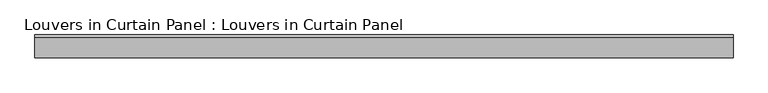
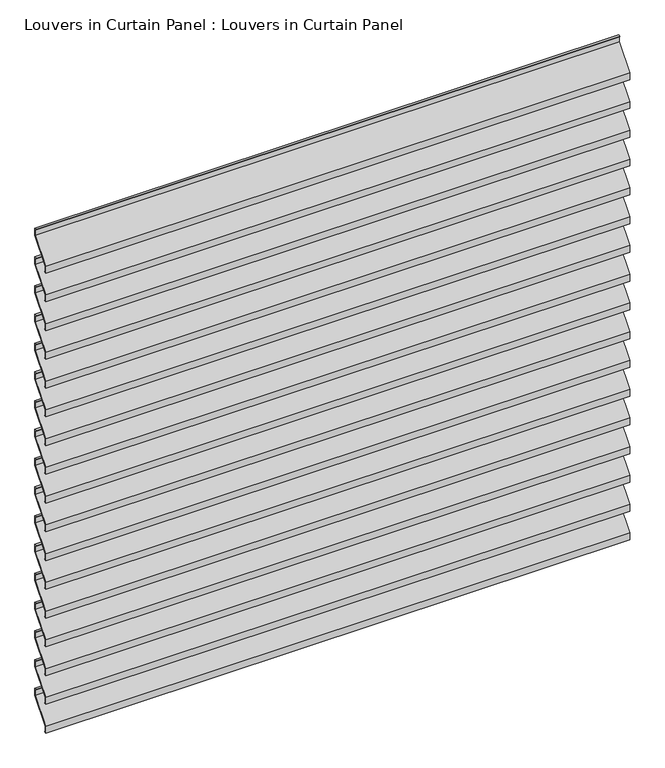
"""IFC4 building model written with IfcOpenShell, lengths in millimetres: plate geometry, Louvers in Curtain Panel : Louvers in Curtain Panel."""

import ifcopenshell
import ifcopenshell.guid

model = None  # the IFC model being written
_history = None  # IfcOwnerHistory: only IFC2X3 demands one
_inside = {}  # id of a spatial element -> (the spatial element, [elements in it])
_under = {}  # id of a project, library or spatial element -> (it, [spatial elements below it])
_declared = {}  # id of a project -> (the project, [libraries it declares])
_typed = {}  # id of a type object -> (the type object, [elements of that type])
_made_of = {}  # id of a material, layer set ... -> (it, [elements and type objects made of it])


def new_model(schema):
    """Start an empty IFC model of exactly this schema.

    Asked for "IFC4X3", IfcOpenShell would pick the latest addendum, in which some entities
    have other attributes; the version numbers below select the first issue.
    IFC2X3 requires an IfcOwnerHistory on every rooted entity: one is made here for all.
    """
    global model, _history
    if schema == "IFC4X3":
        model = ifcopenshell.file(schema_version=(4, 3, 0, 0))
    else:
        model = ifcopenshell.file(schema=schema)
    _inside.clear()
    _under.clear()
    _declared.clear()
    _typed.clear()
    _made_of.clear()
    _history = None
    if model.schema == "IFC2X3":
        org = make("IfcOrganization", Name="unknown")
        user = make(
            "IfcPersonAndOrganization",
            ThePerson=make("IfcPerson", FamilyName="unknown"),
            TheOrganization=org,
        )
        app = make(
            "IfcApplication",
            ApplicationDeveloper=org,
            Version="unknown",
            ApplicationFullName="unknown",
            ApplicationIdentifier="unknown",
        )
        _history = make(
            "IfcOwnerHistory",
            OwningUser=user,
            OwningApplication=app,
            ChangeAction="ADDED",
            CreationDate=0,
        )
    return model


def make(cls, **values):
    """One entity of the class cls with the attributes given. An attribute that is None is left unset."""
    return model.create_entity(
        cls, **{name: value for name, value in values.items() if value is not None}
    )


def rooted(cls, **values):
    """An entity with a GlobalId (a new one), such as an element, a storey or a relation."""
    return make(cls, GlobalId=ifcopenshell.guid.new(), OwnerHistory=_history, **values)


def si_unit(unit_type, name, prefix=None):
    """IfcSIUnit, for example si_unit("LENGTHUNIT", "METRE", prefix="MILLI")."""
    return make("IfcSIUnit", UnitType=unit_type, Prefix=prefix, Name=name)


def assignment(units):
    """IfcUnitAssignment: the units of a project."""
    return None if units is None else make("IfcUnitAssignment", Units=units)


def point(xyz):
    """IfcCartesianPoint."""
    return None if xyz is None else make("IfcCartesianPoint", Coordinates=xyz)


def direction(xyz):
    """IfcDirection."""
    return None if xyz is None else make("IfcDirection", DirectionRatios=xyz)


def frame(location, z_axis=None, x_axis=None):
    """IfcAxis2Placement3D, a coordinate frame: its origin and axes. An axis left out is left unset."""
    return make(
        "IfcAxis2Placement3D",
        Location=point(location),
        Axis=direction(z_axis),
        RefDirection=direction(x_axis),
    )


def origin():
    """The frame at (0, 0, 0) with its axes left unset."""
    return frame((0.0, 0.0, 0.0))


def place(relative_to, where):
    """IfcLocalPlacement: puts the frame where relative to a parent placement (None: the world)."""
    return make(
        "IfcLocalPlacement", PlacementRelTo=relative_to, RelativePlacement=where
    )


def context(
    kind, dimensions, precision=None, world=None, true_north=None, identifier=None
):
    """IfcGeometricRepresentationContext, for example the 3D "Model" context."""
    return make(
        "IfcGeometricRepresentationContext",
        ContextIdentifier=identifier,
        ContextType=kind,
        CoordinateSpaceDimension=dimensions,
        Precision=precision,
        WorldCoordinateSystem=world,
        TrueNorth=true_north,
    )


def project(units=None, contexts=None):
    """IfcProject with its units and contexts."""
    return rooted(
        "IfcProject",
        Name="project",
        RepresentationContexts=contexts,
        UnitsInContext=assignment(units),
    )


def spatial(cls, under=None, at=None, **own):
    """A site, building, storey or space (cls), placed at a placement, below another one or the project."""
    s = rooted(cls, ObjectPlacement=at, **own)
    if under is not None:
        _under.setdefault(under.id(), (under, []))[1].append(s)
    return s


def polyline(points):
    """IfcPolyline through the points."""
    return make("IfcPolyline", Points=[point(p) for p in points])


def outline(outer, holes=None, kind="AREA"):
    """IfcArbitraryClosedProfileDef: a profile drawn as a closed curve; with holes, ...WithVoids."""
    if holes is None:
        return make("IfcArbitraryClosedProfileDef", ProfileType=kind, OuterCurve=outer)
    return make(
        "IfcArbitraryProfileDefWithVoids",
        ProfileType=kind,
        OuterCurve=outer,
        InnerCurves=holes,
    )


def extrude(swept, where, along, depth):
    """IfcExtrudedAreaSolid: the profile swept, set in the frame where, extruded along a direction by depth."""
    return make(
        "IfcExtrudedAreaSolid",
        SweptArea=swept,
        Position=where,
        ExtrudedDirection=direction(along),
        Depth=depth,
    )


def shape(context_of_items, identifier, shape_type, items):
    """IfcShapeRepresentation: the items that make up one representation, for example the "Body"."""
    return make(
        "IfcShapeRepresentation",
        ContextOfItems=context_of_items,
        RepresentationIdentifier=identifier,
        RepresentationType=shape_type,
        Items=items,
    )


def source(mapping_origin, context_of_items, identifier, shape_type, items):
    """IfcRepresentationMap: a shape defined once, which mapped items show again and again."""
    return make(
        "IfcRepresentationMap",
        MappingOrigin=mapping_origin,
        MappedRepresentation=shape(context_of_items, identifier, shape_type, items),
    )


def transform(
    local_origin,
    x_axis=None,
    y_axis=None,
    z_axis=None,
    scale=None,
    scale2=None,
    scale3=None,
    uniform=True,
):
    """IfcCartesianTransformationOperator3D, or its non-uniform kind. x_axis, y_axis, z_axis: its Axis1, 2, 3."""
    if uniform:
        return make(
            "IfcCartesianTransformationOperator3D",
            Axis1=direction(x_axis),
            Axis2=direction(y_axis),
            LocalOrigin=point(local_origin),
            Scale=scale,
            Axis3=direction(z_axis),
        )
    return make(
        "IfcCartesianTransformationOperator3DnonUniform",
        Axis1=direction(x_axis),
        Axis2=direction(y_axis),
        LocalOrigin=point(local_origin),
        Scale=scale,
        Axis3=direction(z_axis),
        Scale2=scale2,
        Scale3=scale3,
    )


def mapped(mapping_source, mapping_target):
    """IfcMappedItem: shows the shape of a source again, moved by a transform."""
    return make(
        "IfcMappedItem", MappingSource=mapping_source, MappingTarget=mapping_target
    )


def made_of(thing, what):
    """Note that an element or type object is made of a material, layer set ...; save() writes the relation."""
    if what is not None:
        _made_of.setdefault(what.id(), (what, []))[1].append(thing)
    return thing


def element(
    cls,
    number,
    at=None,
    inside=None,
    cuts=None,
    type_object=None,
    material=None,
    context=None,
    identifier="Body",
    shape_type=None,
    held_by="IfcProductDefinitionShape",
    body=None,
    shapes=None,
    **own,
):
    """One element of the class cls, such as IfcWall. Its Tag is "e" and its number.

    at: its placement. inside: the storey or other place that contains it. cuts: it is an
    opening in that element (IfcRelVoidsElement). A single representation is given by context,
    identifier, shape_type and body (its items); several are given by shapes. held_by: the class
    of the entity that holds the representations. save() writes the other relations.
    """
    e = rooted(cls, Tag="e%d" % number, ObjectPlacement=at, **own)
    if body is not None:
        shapes = [shape(context, identifier, shape_type, body)]
    if shapes is not None:
        e.Representation = make(held_by, Representations=shapes)
    if inside is not None:
        _inside.setdefault(inside.id(), (inside, []))[1].append(e)
    if cuts is not None:
        rooted(
            "IfcRelVoidsElement", RelatingBuildingElement=cuts, RelatedOpeningElement=e
        )
    if type_object is not None:
        _typed.setdefault(type_object.id(), (type_object, []))[1].append(e)
    return made_of(e, material)


def aggregate(whole, parts):
    """IfcRelAggregates: a whole, such as a stair, and the parts it consists of."""
    return rooted("IfcRelAggregates", RelatingObject=whole, RelatedObjects=parts)


def save(model, path):
    """Write the relations noted so far, then the file.

    IfcRelAggregates (storeys below a building ...), IfcRelContainedInSpatialStructure (elements
    in a storey), IfcRelDefinesByType, IfcRelAssociatesMaterial and IfcRelDeclares: one each for
    every whole, place, type object, material and project.
    """
    for whole, parts in _under.values():
        aggregate(whole, parts)
    for where, things in _inside.values():
        rooted(
            "IfcRelContainedInSpatialStructure",
            RelatedElements=things,
            RelatingStructure=where,
        )
    for kind, things in _typed.values():
        rooted("IfcRelDefinesByType", RelatedObjects=things, RelatingType=kind)
    for what, things in _made_of.values():
        rooted("IfcRelAssociatesMaterial", RelatedObjects=things, RelatingMaterial=what)
    for by, libraries in _declared.values():
        rooted("IfcRelDeclares", RelatingContext=by, RelatedDefinitions=libraries)
    model.write(path)


def louvers_in_curtain_panel_louvers_in_curtain_panel_8c1c13cf(model_context):
    return source(origin(), model_context, "Body", "SweptSolid", [
        extrude(outline(polyline([(22.621875, 1579.4294063), (22.621875, 1561.1731563), (-22.621875, 1507.9919063), (-22.621875, 1492.1169063), (-19.446875, 1492.1169063), (-19.446875, 1490.5294063), (-24.209375, 1490.5294063), (-24.209375, 1508.7856563), (21.034375, 1561.9669063), (21.034375, 1577.8419063), (17.859375, 1577.8419063), (17.859375, 1579.4294063), (22.621875, 1579.4294063)])), frame((-722.3125001, 0.0, 0.0), z_axis=(1.0, 0.0, 0.0), x_axis=(0.0, 1.0, 0.0)), (0.0, 0.0, 1.0), 1444.6250002),
        extrude(outline(polyline([(22.621875, 1504.2172376), (22.621875, 1485.9609876), (-22.621875, 1432.7797376), (-22.621875, 1416.9047376), (-19.446875, 1416.9047376), (-19.446875, 1415.3172376), (-24.209375, 1415.3172376), (-24.209375, 1433.5734876), (21.034375, 1486.7547376), (21.034375, 1502.6297376), (17.859375, 1502.6297376), (17.859375, 1504.2172376), (22.621875, 1504.2172376)])), frame((-722.3125001, 0.0, 0.0), z_axis=(1.0, 0.0, 0.0), x_axis=(0.0, 1.0, 0.0)), (0.0, 0.0, 1.0), 1444.6250002),
        extrude(outline(polyline([(22.621875, 1429.0050688), (22.621875, 1410.7488188), (-22.621875, 1357.5675688), (-22.621875, 1341.6925688), (-19.446875, 1341.6925688), (-19.446875, 1340.1050688), (-24.209375, 1340.1050688), (-24.209375, 1358.3613188), (21.034375, 1411.5425688), (21.034375, 1427.4175688), (17.859375, 1427.4175688), (17.859375, 1429.0050688), (22.621875, 1429.0050688)])), frame((-722.3125001, 0.0, 0.0), z_axis=(1.0, 0.0, 0.0), x_axis=(0.0, 1.0, 0.0)), (0.0, 0.0, 1.0), 1444.6250002),
        extrude(outline(polyline([(22.621875, 1353.7929001), (22.621875, 1335.5366501), (-22.621875, 1282.3554001), (-22.621875, 1266.4804001), (-19.446875, 1266.4804001), (-19.446875, 1264.8929001), (-24.209375, 1264.8929001), (-24.209375, 1283.1491501), (21.034375, 1336.3304001), (21.034375, 1352.2054001), (17.859375, 1352.2054001), (17.859375, 1353.7929001), (22.621875, 1353.7929001)])), frame((-722.3125001, 0.0, 0.0), z_axis=(1.0, 0.0, 0.0), x_axis=(0.0, 1.0, 0.0)), (0.0, 0.0, 1.0), 1444.6250002),
        extrude(outline(polyline([(22.621875, 1278.5807313), (22.621875, 1260.3244813), (-22.621875, 1207.1432313), (-22.621875, 1191.2682313), (-19.446875, 1191.2682313), (-19.446875, 1189.6807313), (-24.209375, 1189.6807313), (-24.209375, 1207.9369813), (21.034375, 1261.1182313), (21.034375, 1276.9932313), (17.859375, 1276.9932313), (17.859375, 1278.5807313), (22.621875, 1278.5807313)])), frame((-722.3125001, 0.0, 0.0), z_axis=(1.0, 0.0, 0.0), x_axis=(0.0, 1.0, 0.0)), (0.0, 0.0, 1.0), 1444.6250002),
        extrude(outline(polyline([(22.621875, 1203.3685626), (22.621875, 1185.1123126), (-22.621875, 1131.9310626), (-22.621875, 1116.0560626), (-19.446875, 1116.0560626), (-19.446875, 1114.4685626), (-24.209375, 1114.4685626), (-24.209375, 1132.7248126), (21.034375, 1185.9060626), (21.034375, 1201.7810626), (17.859375, 1201.7810626), (17.859375, 1203.3685626), (22.621875, 1203.3685626)])), frame((-722.3125001, 0.0, 0.0), z_axis=(1.0, 0.0, 0.0), x_axis=(0.0, 1.0, 0.0)), (0.0, 0.0, 1.0), 1444.6250002),
        extrude(outline(polyline([(22.621875, 1128.1563938), (22.621875, 1109.9001438), (-22.621875, 1056.7188938), (-22.621875, 1040.8438938), (-19.446875, 1040.8438938), (-19.446875, 1039.2563938), (-24.209375, 1039.2563938), (-24.209375, 1057.5126438), (21.034375, 1110.6938938), (21.034375, 1126.5688938), (17.859375, 1126.5688938), (17.859375, 1128.1563938), (22.621875, 1128.1563938)])), frame((-722.3125001, 0.0, 0.0), z_axis=(1.0, 0.0, 0.0), x_axis=(0.0, 1.0, 0.0)), (0.0, 0.0, 1.0), 1444.6250002),
        extrude(outline(polyline([(22.621875, 1052.944225), (22.621875, 1034.687975), (-22.621875, 981.506725), (-22.621875, 965.631725), (-19.446875, 965.631725), (-19.446875, 964.044225), (-24.209375, 964.044225), (-24.209375, 982.300475), (21.034375, 1035.481725), (21.034375, 1051.356725), (17.859375, 1051.356725), (17.859375, 1052.944225), (22.621875, 1052.944225)])), frame((-722.3125001, 0.0, 0.0), z_axis=(1.0, 0.0, 0.0), x_axis=(0.0, 1.0, 0.0)), (0.0, 0.0, 1.0), 1444.6250002),
        extrude(outline(polyline([(22.621875, 977.7320563), (22.621875, 959.4758063), (-22.621875, 906.2945563), (-22.621875, 890.4195563), (-19.446875, 890.4195563), (-19.446875, 888.8320563), (-24.209375, 888.8320563), (-24.209375, 907.0883063), (21.034375, 960.2695563), (21.034375, 976.1445563), (17.859375, 976.1445563), (17.859375, 977.7320563), (22.621875, 977.7320563)])), frame((-722.3125001, 0.0, 0.0), z_axis=(1.0, 0.0, 0.0), x_axis=(0.0, 1.0, 0.0)), (0.0, 0.0, 1.0), 1444.6250002),
        extrude(outline(polyline([(22.621875, 902.5198875), (22.621875, 884.2636375), (-22.621875, 831.0823875), (-22.621875, 815.2073875), (-19.446875, 815.2073875), (-19.446875, 813.6198875), (-24.209375, 813.6198875), (-24.209375, 831.8761375), (21.034375, 885.0573875), (21.034375, 900.9323875), (17.859375, 900.9323875), (17.859375, 902.5198875), (22.621875, 902.5198875)])), frame((-722.3125001, 0.0, 0.0), z_axis=(1.0, 0.0, 0.0), x_axis=(0.0, 1.0, 0.0)), (0.0, 0.0, 1.0), 1444.6250002),
        extrude(outline(polyline([(22.621875, 827.3077188), (22.621875, 809.0514688), (-22.621875, 755.8702188), (-22.621875, 739.9952188), (-19.446875, 739.9952188), (-19.446875, 738.4077188), (-24.209375, 738.4077188), (-24.209375, 756.6639688), (21.034375, 809.8452188), (21.034375, 825.7202188), (17.859375, 825.7202188), (17.859375, 827.3077188), (22.621875, 827.3077188)])), frame((-722.3125001, 0.0, 0.0), z_axis=(1.0, 0.0, 0.0), x_axis=(0.0, 1.0, 0.0)), (0.0, 0.0, 1.0), 1444.6250002),
        extrude(outline(polyline([(22.621875, 752.09555), (22.621875, 733.8393), (-22.621875, 680.65805), (-22.621875, 664.78305), (-19.446875, 664.78305), (-19.446875, 663.19555), (-24.209375, 663.19555), (-24.209375, 681.4518), (21.034375, 734.63305), (21.034375, 750.50805), (17.859375, 750.50805), (17.859375, 752.09555), (22.621875, 752.09555)])), frame((-722.3125001, 0.0, 0.0), z_axis=(1.0, 0.0, 0.0), x_axis=(0.0, 1.0, 0.0)), (0.0, 0.0, 1.0), 1444.6250002),
        extrude(outline(polyline([(22.621875, 676.8833813), (22.621875, 658.6271313), (-22.621875, 605.4458813), (-22.621875, 589.5708813), (-19.446875, 589.5708813), (-19.446875, 587.9833813), (-24.209375, 587.9833813), (-24.209375, 606.2396313), (21.034375, 659.4208813), (21.034375, 675.2958813), (17.859375, 675.2958813), (17.859375, 676.8833813), (22.621875, 676.8833813)])), frame((-722.3125001, 0.0, 0.0), z_axis=(1.0, 0.0, 0.0), x_axis=(0.0, 1.0, 0.0)), (0.0, 0.0, 1.0), 1444.6250002),
        extrude(outline(polyline([(22.621875, 601.6712125), (22.621875, 583.4149625), (-22.621875, 530.2337125), (-22.621875, 514.3587125), (-19.446875, 514.3587125), (-19.446875, 512.7712125), (-24.209375, 512.7712125), (-24.209375, 531.0274625), (21.034375, 584.2087125), (21.034375, 600.0837125), (17.859375, 600.0837125), (17.859375, 601.6712125), (22.621875, 601.6712125)])), frame((-722.3125001, 0.0, 0.0), z_axis=(1.0, 0.0, 0.0), x_axis=(0.0, 1.0, 0.0)), (0.0, 0.0, 1.0), 1444.6250002),
        extrude(outline(polyline([(22.621875, 526.4590438), (22.621875, 508.2027938), (-22.621875, 455.0215438), (-22.621875, 439.1465438), (-19.446875, 439.1465438), (-19.446875, 437.5590438), (-24.209375, 437.5590438), (-24.209375, 455.8152938), (21.034375, 508.9965438), (21.034375, 524.8715438), (17.859375, 524.8715438), (17.859375, 526.4590438), (22.621875, 526.4590438)])), frame((-722.3125001, 0.0, 0.0), z_axis=(1.0, 0.0, 0.0), x_axis=(0.0, 1.0, 0.0)), (0.0, 0.0, 1.0), 1444.6250002),
        extrude(outline(polyline([(22.621875, 1654.6415751), (22.621875, 1636.3853251), (-22.621875, 1583.2040751), (-22.621875, 1567.3290751), (-19.446875, 1567.3290751), (-19.446875, 1565.7415751), (-24.209375, 1565.7415751), (-24.209375, 1583.9978251), (21.034375, 1637.1790751), (21.034375, 1653.0540751), (17.859375, 1653.0540751), (17.859375, 1654.6415751), (22.621875, 1654.6415751)])), frame((-722.3125001, 0.0, 0.0), z_axis=(1.0, 0.0, 0.0), x_axis=(0.0, 1.0, 0.0)), (0.0, 0.0, 1.0), 1444.6250002),
        extrude(outline(polyline([(22.621875, 451.246875), (22.621875, 432.990625), (-22.621875, 379.809375), (-22.621875, 363.934375), (-19.446875, 363.934375), (-19.446875, 362.346875), (-24.209375, 362.346875), (-24.209375, 380.603125), (21.034375, 433.784375), (21.034375, 449.659375), (17.859375, 449.659375), (17.859375, 451.246875), (22.621875, 451.246875)])), frame((-722.3125001, 0.0, 0.0), z_axis=(1.0, 0.0, 0.0), x_axis=(0.0, 1.0, 0.0)), (0.0, 0.0, 1.0), 1444.6250002),
    ])


if __name__ == "__main__":
    model = new_model("IFC4")
    model_context = context("Model", 3, world=origin())
    ifc_project = project(units=[si_unit("LENGTHUNIT", "METRE", prefix="MILLI")], contexts=[model_context])
    site = spatial("IfcSite", under=ifc_project)
    building = spatial("IfcBuilding", under=site)
    placement = place(None, origin())
    louvers_in_curtain_panel_louvers_in_curtain_panel_shape = louvers_in_curtain_panel_louvers_in_curtain_panel_8c1c13cf(model_context)
    element("IfcPlate", 1, ObjectType="Louvers in Curtain Panel : Louvers in Curtain Panel", at=placement, inside=building, context=model_context, shape_type="MappedRepresentation", body=[
        mapped(louvers_in_curtain_panel_louvers_in_curtain_panel_shape, transform((0.0, 0.0, 0.0), x_axis=(1.0, 0.0, 0.0), y_axis=(0.0, 1.0, 0.0), z_axis=(0.0, 0.0, 1.0))),
    ])
    save(model, "model.ifc")
